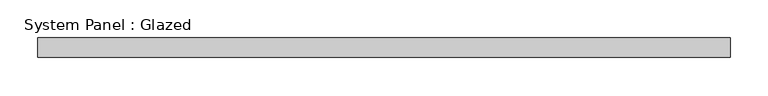
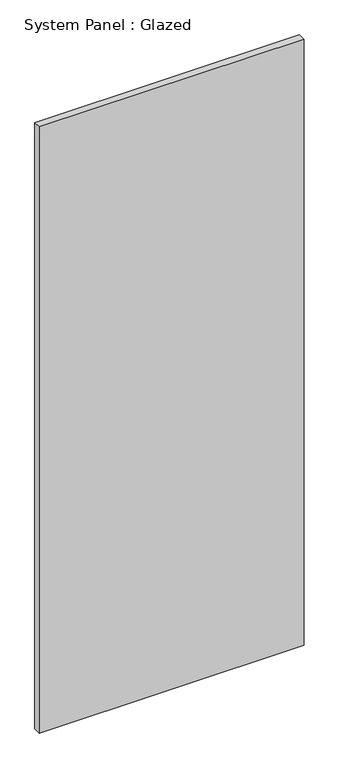
"""IFC4 building model written with IfcOpenShell, lengths in millimetres: plate geometry, System Panel : Glazed."""

from ifc_helpers import new_model, si_unit, origin, origin_with_axes, place, context, project, spatial, polyline, outline, extrude, source, transform, mapped, element, save


def system_panel_glazed_50e2d9b8(model_context):
    return source(origin(), model_context, "Body", "SweptSolid", [
        extrude(outline(polyline([(455.6125, 0.0), (-455.6125, 0.0), (-455.6125, 25.4), (455.6125, 25.4), (455.6125, 0.0)])), origin_with_axes(), (0.0, 0.0, 1.0), 2203.4499999),
    ])


if __name__ == "__main__":
    model = new_model("IFC4")
    model_context = context("Model", 3, world=origin())
    ifc_project = project(units=[si_unit("LENGTHUNIT", "METRE", prefix="MILLI")], contexts=[model_context])
    site = spatial("IfcSite", under=ifc_project)
    building = spatial("IfcBuilding", under=site)
    placement = place(None, origin())
    system_panel_glazed_shape = system_panel_glazed_50e2d9b8(model_context)
    element("IfcPlate", 1, ObjectType="System Panel : Glazed", at=placement, inside=building, context=model_context, shape_type="MappedRepresentation", body=[
        mapped(system_panel_glazed_shape, transform((0.0, 0.0, 0.0), x_axis=(1.0, 0.0, 0.0), y_axis=(0.0, 1.0, 0.0), z_axis=(0.0, 0.0, 1.0))),
    ])
    save(model, "model.ifc")
